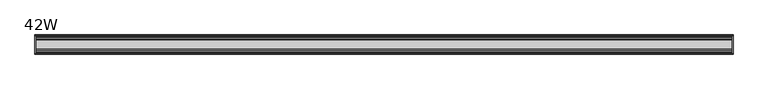
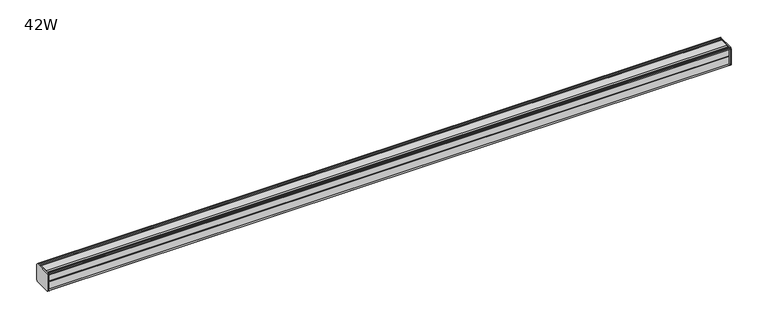
"""IFC4 building model written with IfcOpenShell, lengths in millimetres: furniture geometry, 42W."""

from ifc_helpers import new_model, si_unit, frame, origin, place, context, project, spatial, circle_curve, source, transform, mapped, element, save
from ifc_brep_helpers import plane_surface, cylinder_surface, advanced_brep


def furniture_42w_bbc84d51(model_context):
    return source(origin(), model_context, "Body", "AdvancedBrep", [
        advanced_brep(
        [(531.8125, 14.5851562, 1196.1258462), (531.8125, 14.5851562, 1169.9755077), (531.8125, 14.4138595, 1169.1696197), (531.8125, 13.8374434, 1168.5932037), (531.8125, 12.9019306, 1168.3425331), (531.8125, -13.4067434, 1168.3425331), (531.8125, -14.3040014, 1169.2397911), (531.8125, -14.5851563, 1170.0081998), (531.8125, -14.5851563, 1195.9265527), (531.8125, -14.3040014, 1196.6949614), (531.8125, -13.4464303, 1197.5525325), (531.8125, 13.0500437, 1197.5525325), (531.8125, 13.8374434, 1197.3415488), (531.8125, 14.4138595, 1196.7651328), (533.4, 14.6248431, 1195.9777331), (533.4, 14.4138595, 1196.7651328), (533.4, 13.8374434, 1197.3415488), (533.4, 13.0500437, 1197.5525325), (533.4, -13.4464303, 1197.5525325), (533.4, -14.3040014, 1196.6949614), (533.4, -14.5851563, 1195.9265527), (533.4, -14.5851563, 1170.0081998), (533.4, -14.3040014, 1169.2397911), (533.4, -13.4067434, 1168.3425331), (533.4, 12.9019306, 1168.3425331), (533.4, 13.8374434, 1168.5932037), (533.4, 14.4138595, 1169.1696197), (533.4, 14.5851562, 1169.9755077)],
        [
            (0, 1),
            (1, 2),
            (2, 3),
            (3, 4),
            (4, 5),
            (5, 6),
            (6, 7, circle_curve(frame((531.8125, -13.3945313, 1170.0081998), z_axis=(-1.0, 0.0, 0.0), x_axis=(0.0, 1.0, 0.0)), 1.190625)),
            (7, 8),
            (8, 9, circle_curve(frame((531.8125, -13.3945313, 1195.9265527), z_axis=(-1.0, 0.0, 0.0), x_axis=(0.0, 1.0, 0.0)), 1.190625)),
            (9, 10),
            (10, 11),
            (11, 12),
            (12, 13),
            (13, 0),
            (14, 15),
            (15, 16),
            (16, 17),
            (17, 18),
            (18, 19),
            (19, 20, circle_curve(frame((533.4, -13.3945313, 1195.9265527), z_axis=(1.0, 0.0, 0.0), x_axis=(0.0, 1.0, 0.0)), 1.190625)),
            (20, 21),
            (21, 22, circle_curve(frame((533.4, -13.3945313, 1170.0081998), z_axis=(1.0, 0.0, 0.0), x_axis=(0.0, 1.0, 0.0)), 1.190625)),
            (22, 23),
            (23, 24),
            (24, 25),
            (25, 26),
            (26, 27),
            (27, 14),
            (13, 15),
            (14, 0),
            (12, 16),
            (11, 17),
            (10, 18),
            (9, 19),
            (8, 20),
            (7, 21),
            (6, 22),
            (5, 23),
            (4, 24),
            (3, 25),
            (2, 26),
            (1, 27),
        ],
        [
            plane_surface(frame((531.8125, 14.5851562, 1169.9755077), z_axis=(-1.0, 0.0, 0.0), x_axis=(0.0, 0.0, -1.0))),
            plane_surface(frame((533.4, 14.5851562, 1169.9755077), z_axis=(1.0, 0.0, 0.0), x_axis=(0.0, 0.0, 1.0))),
            plane_surface(frame((531.8125, 14.4138595, 1196.7651328), z_axis=(0.0, 0.9659256560349851, 0.25881968049857335), x_axis=(1.0, 0.0, 0.0))),
            plane_surface(frame((531.8125, 13.8374434, 1197.3415488), z_axis=(0.0, 0.7071067811866345, 0.7071067811864606), x_axis=(1.0, 0.0, 0.0))),
            plane_surface(frame((531.8125, 13.0500437, 1197.5525325), z_axis=(0.0, 0.2588196804711877, 0.9659256560423232), x_axis=(1.0, 0.0, 0.0))),
            plane_surface(frame((531.8125, -13.4464303, 1197.5525325), z_axis=(0.0, 0.0, 1.0), x_axis=(1.0, 0.0, 0.0))),
            plane_surface(frame((531.8125, -14.3040014, 1196.6949614), z_axis=(0.0, -0.70710678117674, 0.7071067811963553), x_axis=(1.0, 0.0, 0.0))),
            cylinder_surface(frame((533.4, -13.3945313, 1195.9265527), z_axis=(-1.0, 0.0, 0.0), x_axis=(0.0, 1.0, 0.0)), 1.190625),
            plane_surface(frame((531.8125, -14.5851563, 1170.0081998), z_axis=(0.0, -1.0, 0.0), x_axis=(1.0, 0.0, 0.0))),
            cylinder_surface(frame((533.4, -13.3945313, 1170.0081998), z_axis=(-1.0, 0.0, 0.0), x_axis=(0.0, 1.0, 0.0)), 1.190625),
            plane_surface(frame((531.8125, -13.4067434, 1168.3425331), z_axis=(0.0, -0.7071067811917087, -0.7071067811813864), x_axis=(1.0, 0.0, 0.0))),
            plane_surface(frame((531.8125, 12.9019306, 1168.3425331), z_axis=(0.0, 0.0, -1.0), x_axis=(1.0, 0.0, 0.0))),
            plane_surface(frame((531.8125, 13.8374434, 1168.5932037), z_axis=(0.0, 0.2588196804985645, -0.9659256560349875), x_axis=(1.0, 0.0, 0.0))),
            plane_surface(frame((531.8125, 14.4138595, 1169.1696197), z_axis=(0.0, 0.7071067811865204, -0.7071067811865748), x_axis=(1.0, 0.0, 0.0))),
            plane_surface(frame((531.8125, 14.5851562, 1169.9755077), z_axis=(0.0, 0.9781476007310527, -0.207911690830711), x_axis=(1.0, 0.0, 0.0))),
            plane_surface(frame((531.8125, 14.5851562, 1196.1258462), z_axis=(0.0, 1.0, 0.0), x_axis=(1.0, 0.0, 0.0))),
        ],
        [
            (0, [[1, 2, 3, 4, 5, 6, 7, 8, 9, 10, 11, 12, 13, 14]]),
            (1, [[15, 16, 17, 18, 19, 20, 21, 22, 23, 24, 25, 26, 27, 28]]),
            (2, [[-14, 29, -15, 30]]),
            (3, [[-13, 31, -16, -29]]),
            (4, [[-12, 32, -17, -31]]),
            (5, [[-11, 33, -18, -32]]),
            (6, [[-10, 34, -19, -33]]),
            (7, [[-9, 35, -20, -34]]),
            (8, [[-8, 36, -21, -35]]),
            (9, [[-7, 37, -22, -36]]),
            (10, [[-6, 38, -23, -37]]),
            (11, [[-5, 39, -24, -38]]),
            (12, [[-4, 40, -25, -39]]),
            (13, [[-3, 41, -26, -40]]),
            (14, [[-2, 42, -27, -41]]),
            (15, [[-1, -30, -28, -42]]),
        ],
    ),
        advanced_brep(
        [(-531.8125, 14.6248431, 1195.9777331), (-531.8125, 14.4138595, 1196.7651328), (-531.8125, 13.8374434, 1197.3415488), (-531.8125, 13.0500437, 1197.5525325), (-531.8125, -13.4464303, 1197.5525325), (-531.8125, -14.3040014, 1196.6949614), (-531.8125, -14.5851563, 1195.9265527), (-531.8125, -14.5851563, 1170.0081998), (-531.8125, -14.3040014, 1169.2397911), (-531.8125, -13.4067434, 1168.3425331), (-531.8125, 12.9019306, 1168.3425331), (-531.8125, 13.8374434, 1168.5932037), (-531.8125, 14.4138595, 1169.1696197), (-531.8125, 14.5851562, 1169.9755077), (-533.4, 14.5851562, 1196.1258462), (-533.4, 14.5851562, 1169.9755077), (-533.4, 14.4138595, 1169.1696197), (-533.4, 13.8374434, 1168.5932037), (-533.4, 12.9019306, 1168.3425331), (-533.4, -13.4067434, 1168.3425331), (-533.4, -14.3040014, 1169.2397911), (-533.4, -14.5851563, 1170.0081998), (-533.4, -14.5851563, 1195.9265527), (-533.4, -14.3040014, 1196.6949614), (-533.4, -13.4464303, 1197.5525325), (-533.4, 13.0500437, 1197.5525325), (-533.4, 13.8374434, 1197.3415488), (-533.4, 14.4138595, 1196.7651328)],
        [
            (0, 1),
            (1, 2),
            (2, 3),
            (3, 4),
            (4, 5),
            (5, 6, circle_curve(frame((-531.8125, -13.3945313, 1195.9265527), z_axis=(1.0, 0.0, 0.0), x_axis=(0.0, 1.0, 0.0)), 1.190625)),
            (6, 7),
            (7, 8, circle_curve(frame((-531.8125, -13.3945313, 1170.0081998), z_axis=(1.0, 0.0, 0.0), x_axis=(0.0, 1.0, 0.0)), 1.190625)),
            (8, 9),
            (9, 10),
            (10, 11),
            (11, 12),
            (12, 13),
            (13, 0),
            (14, 15),
            (15, 16),
            (16, 17),
            (17, 18),
            (18, 19),
            (19, 20),
            (20, 21, circle_curve(frame((-533.4, -13.3945313, 1170.0081998), z_axis=(-1.0, 0.0, 0.0), x_axis=(0.0, 1.0, 0.0)), 1.190625)),
            (21, 22),
            (22, 23, circle_curve(frame((-533.4, -13.3945313, 1195.9265527), z_axis=(-1.0, 0.0, 0.0), x_axis=(0.0, 1.0, 0.0)), 1.190625)),
            (23, 24),
            (24, 25),
            (25, 26),
            (26, 27),
            (27, 14),
            (0, 14),
            (27, 1),
            (26, 2),
            (25, 3),
            (24, 4),
            (23, 5),
            (22, 6),
            (21, 7),
            (20, 8),
            (19, 9),
            (18, 10),
            (17, 11),
            (16, 12),
            (15, 13),
        ],
        [
            plane_surface(frame((-531.8125, 14.6248431, 1195.9777331), z_axis=(1.0, 0.0, 0.0), x_axis=(0.0, -0.25881968044228537, 0.9659256560500675))),
            plane_surface(frame((-533.4, 14.6248431, 1195.9777331), z_axis=(-1.0, 0.0, 0.0), x_axis=(0.0, 0.25881968044228537, -0.9659256560500675))),
            plane_surface(frame((-531.8125, 14.6248431, 1195.9777331), z_axis=(0.0, 0.9659256560500675, 0.25881968044228537), x_axis=(-1.0, 0.0, 0.0))),
            plane_surface(frame((-531.8125, 14.4138595, 1196.7651328), z_axis=(0.0, 0.7071067810741019, 0.7071067812989933), x_axis=(-1.0, 0.0, 0.0))),
            plane_surface(frame((-531.8125, 13.8374434, 1197.3415488), z_axis=(0.0, 0.2588196804847984, 0.9659256560386762), x_axis=(-1.0, 0.0, 0.0))),
            plane_surface(frame((-531.8125, 13.0500437, 1197.5525325), z_axis=(0.0, 0.0, 1.0), x_axis=(-1.0, 0.0, 0.0))),
            plane_surface(frame((-531.8125, -13.4464303, 1197.5525325), z_axis=(0.0, -0.7071067811881911, 0.7071067811849039), x_axis=(-1.0, 0.0, 0.0))),
            cylinder_surface(frame((-533.4, -13.3945313, 1195.9265527), z_axis=(1.0, 0.0, 0.0), x_axis=(0.0, 1.0, 0.0)), 1.190625),
            plane_surface(frame((-531.8125, -14.5851563, 1195.9265527), z_axis=(0.0, -1.0, 0.0), x_axis=(-1.0, 0.0, 0.0))),
            cylinder_surface(frame((-533.4, -13.3945313, 1170.0081998), z_axis=(1.0, 0.0, 0.0), x_axis=(0.0, 1.0, 0.0)), 1.190625),
            plane_surface(frame((-531.8125, -14.3040014, 1169.2397911), z_axis=(0.0, -0.7071067811865868, -0.7071067811865084), x_axis=(-1.0, 0.0, 0.0))),
            plane_surface(frame((-531.8125, -13.4067434, 1168.3425331), z_axis=(0.0, 0.0, -1.0), x_axis=(-1.0, 0.0, 0.0))),
            plane_surface(frame((-531.8125, 12.9019306, 1168.3425331), z_axis=(0.0, 0.2588196804985645, -0.9659256560349875), x_axis=(-1.0, 0.0, 0.0))),
            plane_surface(frame((-531.8125, 13.8374434, 1168.5932037), z_axis=(0.0, 0.707106781186519, -0.7071067811865761), x_axis=(-1.0, 0.0, 0.0))),
            plane_surface(frame((-531.8125, 14.4138595, 1169.1696197), z_axis=(0.0, 0.9781476007315685, -0.20791169082828442), x_axis=(-1.0, 0.0, 0.0))),
            plane_surface(frame((-531.8125, 14.5851562, 1169.9755077), z_axis=(0.0, 1.0, 0.0), x_axis=(-1.0, 0.0, 0.0))),
        ],
        [
            (0, [[1, 2, 3, 4, 5, 6, 7, 8, 9, 10, 11, 12, 13, 14]]),
            (1, [[15, 16, 17, 18, 19, 20, 21, 22, 23, 24, 25, 26, 27, 28]]),
            (2, [[-1, 29, -28, 30]]),
            (3, [[-2, -30, -27, 31]]),
            (4, [[-3, -31, -26, 32]]),
            (5, [[-4, -32, -25, 33]]),
            (6, [[-5, -33, -24, 34]]),
            (7, [[-6, -34, -23, 35]]),
            (8, [[-7, -35, -22, 36]]),
            (9, [[-8, -36, -21, 37]]),
            (10, [[-9, -37, -20, 38]]),
            (11, [[-10, -38, -19, 39]]),
            (12, [[-11, -39, -18, 40]]),
            (13, [[-12, -40, -17, 41]]),
            (14, [[-13, -41, -16, 42]]),
            (15, [[-14, -42, -15, -29]]),
        ],
    ),
        advanced_brep(
        [(531.8125, -7.3748315, 1197.5525325), (531.8125, -8.9105708, 1196.5217996), (531.8125, -10.7601399, 1196.5217996), (531.8125, -12.2958792, 1197.5525325), (531.8125, -13.4464303, 1197.5525325), (531.8125, -14.3040014, 1196.6949614), (531.8125, -13.3945313, 1194.7359277), (531.8125, -13.3945313, 1195.647532), (531.8125, -12.2039063, 1195.647532), (531.8125, -12.2039063, 1183.7412832), (531.8125, -11.4101564, 1182.9475334), (531.8125, -12.2039063, 1182.1537836), (531.8125, -12.2039063, 1170.2475331), (531.8125, -13.3945313, 1170.2475331), (531.8125, -13.3945313, 1171.1988248), (531.8125, -14.3040014, 1169.2397911), (531.8125, -13.4067434, 1168.3425331), (531.8125, -12.2958792, 1168.3425331), (531.8125, -10.7601399, 1169.3732671), (531.8125, -8.9105708, 1169.3732671), (531.8125, -7.4339628, 1168.38222), (531.8125, 7.4145184, 1168.38222), (531.8125, 8.9502576, 1169.4129529), (531.8125, 10.7998291, 1169.4129529), (531.8125, 12.2275037, 1168.38222), (531.8125, 13.0500437, 1168.38222), (531.8125, 13.8374434, 1168.5932037), (531.8125, 14.4138595, 1169.1696197), (531.8125, 14.5851562, 1169.9755077), (531.8125, 14.5851562, 1196.1258462), (531.8125, 14.4138595, 1196.7651328), (531.8125, 13.8374434, 1197.3415488), (531.8125, 13.0500437, 1197.5525325), (531.8125, 12.2275037, 1197.5525325), (531.8125, 10.7998291, 1196.5217996), (531.8125, 8.9502576, 1196.5217996), (531.8125, 7.4145184, 1197.5525325), (-531.8125, -7.3748315, 1197.5525325), (-531.8125, 7.4145184, 1197.5525325), (-531.8125, 8.9502576, 1196.5217996), (-531.8125, 10.7998291, 1196.5217996), (-531.8125, 12.2275037, 1197.5525325), (-531.8125, 13.0500437, 1197.5525325), (-531.8125, 13.8374434, 1197.3415488), (-531.8125, 14.4138595, 1196.7651328), (-531.8125, 14.6248431, 1195.9777331), (-531.8125, 14.5851562, 1169.9755077), (-531.8125, 14.4138595, 1169.1696197), (-531.8125, 13.8374434, 1168.5932037), (-531.8125, 13.0500437, 1168.38222), (-531.8125, 12.2275037, 1168.38222), (-531.8125, 10.7998291, 1169.4129529), (-531.8125, 8.9502576, 1169.4129529), (-531.8125, 7.4145184, 1168.38222), (-531.8125, -7.4339628, 1168.38222), (-531.8125, -8.9105708, 1169.3732671), (-531.8125, -10.7601399, 1169.3732671), (-531.8125, -12.2958792, 1168.3425331), (-531.8125, -13.4067434, 1168.3425331), (-531.8125, -14.3040014, 1169.2397911), (-531.8125, -13.3945313, 1171.1988248), (-531.8125, -13.3945313, 1170.2475331), (-531.8125, -12.2039063, 1170.2475331), (-531.8125, -12.2039063, 1182.1537836), (-531.8125, -11.4101564, 1182.9475334), (-531.8125, -12.2039063, 1183.7412832), (-531.8125, -12.2039063, 1195.647532), (-531.8125, -13.3945313, 1195.647532), (-531.8125, -13.3945313, 1194.7359277), (-531.8125, -14.3040014, 1196.6949614), (-531.8125, -13.4464303, 1197.5525325), (-531.8125, -12.2958792, 1197.5525325), (-531.8125, -10.7601399, 1196.5217996), (-531.8125, -8.9105708, 1196.5217996)],
        [
            (0, 1),
            (1, 2),
            (2, 3),
            (3, 4),
            (4, 5),
            (5, 6, circle_curve(frame((531.8125, -13.3945313, 1195.9265527), z_axis=(1.0, 0.0, 0.0), x_axis=(0.0, 1.0, 0.0)), 1.190625)),
            (6, 7),
            (7, 8),
            (8, 9),
            (9, 10),
            (10, 11),
            (11, 12),
            (12, 13),
            (13, 14),
            (14, 15, circle_curve(frame((531.8125, -13.3945313, 1170.0081998), z_axis=(1.0, 0.0, 0.0), x_axis=(0.0, 1.0, 0.0)), 1.190625)),
            (15, 16),
            (16, 17),
            (17, 18),
            (18, 19),
            (19, 20),
            (20, 21),
            (21, 22),
            (22, 23),
            (23, 24),
            (24, 25),
            (25, 26),
            (26, 27),
            (27, 28),
            (28, 29),
            (29, 30),
            (30, 31),
            (31, 32),
            (32, 33),
            (33, 34),
            (34, 35),
            (35, 36),
            (36, 0),
            (37, 38),
            (38, 39),
            (39, 40),
            (40, 41),
            (41, 42),
            (42, 43),
            (43, 44),
            (44, 45),
            (45, 46),
            (46, 47),
            (47, 48),
            (48, 49),
            (49, 50),
            (50, 51),
            (51, 52),
            (52, 53),
            (53, 54),
            (54, 55),
            (55, 56),
            (56, 57),
            (57, 58),
            (58, 59),
            (59, 60, circle_curve(frame((-531.8125, -13.3945313, 1170.0081998), z_axis=(-1.0, 0.0, 0.0), x_axis=(0.0, 1.0, 0.0)), 1.190625)),
            (60, 61),
            (61, 62),
            (62, 63),
            (63, 64),
            (64, 65),
            (65, 66),
            (66, 67),
            (67, 68),
            (68, 69, circle_curve(frame((-531.8125, -13.3945313, 1195.9265527), z_axis=(-1.0, 0.0, 0.0), x_axis=(0.0, 1.0, 0.0)), 1.190625)),
            (69, 70),
            (70, 71),
            (71, 72),
            (72, 73),
            (73, 37),
            (0, 37),
            (73, 1),
            (72, 2),
            (71, 3),
            (70, 4),
            (69, 5),
            (68, 6),
            (67, 7),
            (66, 8),
            (65, 9),
            (64, 10),
            (63, 11),
            (62, 12),
            (61, 13),
            (60, 14),
            (59, 15),
            (58, 16),
            (57, 17),
            (56, 18),
            (55, 19),
            (54, 20),
            (53, 21),
            (52, 22),
            (51, 23),
            (50, 24),
            (49, 25),
            (48, 26),
            (47, 27),
            (46, 28),
            (45, 29),
            (44, 30),
            (43, 31),
            (42, 32),
            (41, 33),
            (40, 34),
            (39, 35),
            (38, 36),
        ],
        [
            plane_surface(frame((531.8125, -7.3748315, 1197.5525325), z_axis=(1.0, 0.0, 0.0), x_axis=(0.0, -0.8303227972601959, -0.5572827400431525))),
            plane_surface(frame((-531.8125, -7.3748315, 1197.5525325), z_axis=(-1.0, 0.0, 0.0), x_axis=(0.0, 0.8303227972601959, 0.5572827400431525))),
            plane_surface(frame((531.8125, -7.3748315, 1197.5525325), z_axis=(0.0, -0.5572827400431525, 0.8303227972601959), x_axis=(-1.0, 0.0, 0.0))),
            plane_surface(frame((531.8125, -8.9105708, 1196.5217996), z_axis=(0.0, 0.0, 1.0), x_axis=(-1.0, 0.0, 0.0))),
            plane_surface(frame((531.8125, -10.7601399, 1196.5217996), z_axis=(0.0, 0.5572827400431527, 0.8303227972601956), x_axis=(-1.0, 0.0, 0.0))),
            plane_surface(frame((531.8125, -12.2958792, 1197.5525325), z_axis=(0.0, 0.0, 1.0), x_axis=(-1.0, 0.0, 0.0))),
            plane_surface(frame((531.8125, -13.4464303, 1197.5525325), z_axis=(0.0, -0.7071067811815444, 0.7071067811915508), x_axis=(-1.0, 0.0, 0.0))),
            cylinder_surface(frame((-531.8125, -13.3945313, 1195.9265527), z_axis=(1.0, 0.0, 0.0), x_axis=(0.0, 1.0, 0.0)), 1.190625),
            plane_surface(frame((531.8125, -13.3945313, 1194.7359277), z_axis=(0.0, 1.0, 0.0), x_axis=(-1.0, 0.0, 0.0))),
            plane_surface(frame((531.8125, -13.3945313, 1195.647532), z_axis=(0.0, 0.0, -1.0), x_axis=(-1.0, 0.0, 0.0))),
            plane_surface(frame((531.8125, -12.2039063, 1195.647532), z_axis=(0.0, -1.0, 0.0), x_axis=(-1.0, 0.0, 0.0))),
            plane_surface(frame((531.8125, -12.2039063, 1183.7412832), z_axis=(0.0, -0.7071067811865749, -0.7071067811865203), x_axis=(-1.0, 0.0, 0.0))),
            plane_surface(frame((531.8125, -11.4101564, 1182.9475334), z_axis=(0.0, -0.7071067811865522, 0.7071067811865428), x_axis=(-1.0, 0.0, 0.0))),
            plane_surface(frame((531.8125, -12.2039063, 1182.1537836), z_axis=(0.0, -1.0, 0.0), x_axis=(-1.0, 0.0, 0.0))),
            plane_surface(frame((531.8125, -12.2039063, 1170.2475331), z_axis=(0.0, 0.0, 1.0), x_axis=(-1.0, 0.0, 0.0))),
            plane_surface(frame((531.8125, -13.3945313, 1170.2475331), z_axis=(0.0, 1.0, 0.0), x_axis=(-1.0, 0.0, 0.0))),
            cylinder_surface(frame((-531.8125, -13.3945313, 1170.0081998), z_axis=(1.0, 0.0, 0.0), x_axis=(0.0, 1.0, 0.0)), 1.190625),
            plane_surface(frame((531.8125, -14.3040014, 1169.2397911), z_axis=(0.0, -0.7071067811865892, -0.7071067811865058), x_axis=(-1.0, 0.0, 0.0))),
            plane_surface(frame((531.8125, -13.4067434, 1168.3425331), z_axis=(0.0, 0.0, -1.0), x_axis=(-1.0, 0.0, 0.0))),
            plane_surface(frame((531.8125, -12.2958792, 1168.3425331), z_axis=(0.0, 0.5572831632988446, -0.8303225131860712), x_axis=(-1.0, 0.0, 0.0))),
            plane_surface(frame((531.8125, -10.7601399, 1169.3732671), z_axis=(0.0, 0.0, -1.0), x_axis=(-1.0, 0.0, 0.0))),
            plane_surface(frame((531.8125, -8.9105708, 1169.3732671), z_axis=(0.0, -0.5572831633034628, -0.8303225131829716), x_axis=(-1.0, 0.0, 0.0))),
            plane_surface(frame((531.8125, -7.4339628, 1168.38222), z_axis=(0.0, 0.0, -1.0), x_axis=(-1.0, 0.0, 0.0))),
            plane_surface(frame((531.8125, 7.4145184, 1168.38222), z_axis=(0.0, 0.5572827400520335, -0.8303227972542352), x_axis=(-1.0, 0.0, 0.0))),
            plane_surface(frame((531.8125, 8.9502576, 1169.4129529), z_axis=(0.0, 0.0, -1.0), x_axis=(-1.0, 0.0, 0.0))),
            plane_surface(frame((531.8125, 10.7998291, 1169.4129529), z_axis=(0.0, -0.5853541342124147, -0.8107777362264177), x_axis=(-1.0, 0.0, 0.0))),
            plane_surface(frame((531.8125, 12.2275037, 1168.38222), z_axis=(0.0, 0.0, -1.0), x_axis=(-1.0, 0.0, 0.0))),
            plane_surface(frame((531.8125, 13.0500437, 1168.38222), z_axis=(0.0, 0.2588196804985639, -0.9659256560349877), x_axis=(-1.0, 0.0, 0.0))),
            plane_surface(frame((531.8125, 13.8374434, 1168.5932037), z_axis=(0.0, 0.7071067811865592, -0.7071067811865358), x_axis=(-1.0, 0.0, 0.0))),
            plane_surface(frame((531.8125, 14.4138595, 1169.1696197), z_axis=(0.0, 0.9781476007315686, -0.20791169082828392), x_axis=(-1.0, 0.0, 0.0))),
            plane_surface(frame((531.8125, 14.5851562, 1169.9755077), z_axis=(0.0, 1.0, 0.0), x_axis=(-1.0, 0.0, 0.0))),
            plane_surface(frame((531.8125, 14.6248431, 1195.9777331), z_axis=(0.0, 0.9659256560501565, 0.2588196804419535), x_axis=(-1.0, 0.0, 0.0))),
            plane_surface(frame((531.8125, 14.4138595, 1196.7651328), z_axis=(0.0, 0.7071067810733039, 0.7071067812997911), x_axis=(-1.0, 0.0, 0.0))),
            plane_surface(frame((531.8125, 13.8374434, 1197.3415488), z_axis=(0.0, 0.25881968048493054, 0.9659256560386408), x_axis=(-1.0, 0.0, 0.0))),
            plane_surface(frame((531.8125, 13.0500437, 1197.5525325), z_axis=(0.0, 0.0, 1.0), x_axis=(-1.0, 0.0, 0.0))),
            plane_surface(frame((531.8125, 12.2275037, 1197.5525325), z_axis=(0.0, -0.5853541342079679, 0.8107777362296281), x_axis=(-1.0, 0.0, 0.0))),
            plane_surface(frame((531.8125, 10.7998291, 1196.5217996), z_axis=(0.0, 0.0, 1.0), x_axis=(-1.0, 0.0, 0.0))),
            plane_surface(frame((531.8125, 8.9502576, 1196.5217996), z_axis=(0.0, 0.5572827400431527, 0.8303227972601956), x_axis=(-1.0, 0.0, 0.0))),
            plane_surface(frame((531.8125, 7.4145184, 1197.5525325), z_axis=(0.0, 0.0, 1.0), x_axis=(-1.0, 0.0, 0.0))),
        ],
        [
            (0, [[1, 2, 3, 4, 5, 6, 7, 8, 9, 10, 11, 12, 13, 14, 15, 16, 17, 18, 19, 20, 21, 22, 23, 24, 25, 26, 27, 28, 29, 30, 31, 32, 33, 34, 35, 36, 37]]),
            (1, [[38, 39, 40, 41, 42, 43, 44, 45, 46, 47, 48, 49, 50, 51, 52, 53, 54, 55, 56, 57, 58, 59, 60, 61, 62, 63, 64, 65, 66, 67, 68, 69, 70, 71, 72, 73, 74]]),
            (2, [[-1, 75, -74, 76]]),
            (3, [[-2, -76, -73, 77]]),
            (4, [[-3, -77, -72, 78]]),
            (5, [[-4, -78, -71, 79]]),
            (6, [[-5, -79, -70, 80]]),
            (7, [[-6, -80, -69, 81]]),
            (8, [[-7, -81, -68, 82]]),
            (9, [[-8, -82, -67, 83]]),
            (10, [[-9, -83, -66, 84]]),
            (11, [[-10, -84, -65, 85]]),
            (12, [[-11, -85, -64, 86]]),
            (13, [[-12, -86, -63, 87]]),
            (14, [[-13, -87, -62, 88]]),
            (15, [[-14, -88, -61, 89]]),
            (16, [[-15, -89, -60, 90]]),
            (17, [[-16, -90, -59, 91]]),
            (18, [[-17, -91, -58, 92]]),
            (19, [[-18, -92, -57, 93]]),
            (20, [[-19, -93, -56, 94]]),
            (21, [[-20, -94, -55, 95]]),
            (22, [[-21, -95, -54, 96]]),
            (23, [[-22, -96, -53, 97]]),
            (24, [[-23, -97, -52, 98]]),
            (25, [[-24, -98, -51, 99]]),
            (26, [[-25, -99, -50, 100]]),
            (27, [[-26, -100, -49, 101]]),
            (28, [[-27, -101, -48, 102]]),
            (29, [[-28, -102, -47, 103]]),
            (30, [[-29, -103, -46, 104]]),
            (31, [[-30, -104, -45, 105]]),
            (32, [[-31, -105, -44, 106]]),
            (33, [[-32, -106, -43, 107]]),
            (34, [[-33, -107, -42, 108]]),
            (35, [[-34, -108, -41, 109]]),
            (36, [[-35, -109, -40, 110]]),
            (37, [[-36, -110, -39, 111]]),
            (38, [[-37, -111, -38, -75]]),
        ],
    ),
    ])


if __name__ == "__main__":
    model = new_model("IFC4")
    model_context = context("Model", 3, world=origin())
    ifc_project = project(units=[si_unit("LENGTHUNIT", "METRE", prefix="MILLI")], contexts=[model_context])
    site = spatial("IfcSite", under=ifc_project)
    building = spatial("IfcBuilding", under=site)
    placement = place(None, origin())
    furniture_42w_shape = furniture_42w_bbc84d51(model_context)
    element("IfcFurniture", 1, ObjectType="42W", at=placement, inside=building, context=model_context, shape_type="MappedRepresentation", body=[
        mapped(furniture_42w_shape, transform((0.0, 0.0, 0.0), x_axis=(1.0, 0.0, 0.0), y_axis=(0.0, 1.0, 0.0), z_axis=(0.0, 0.0, 1.0))),
    ])
    save(model, "model.ifc")
